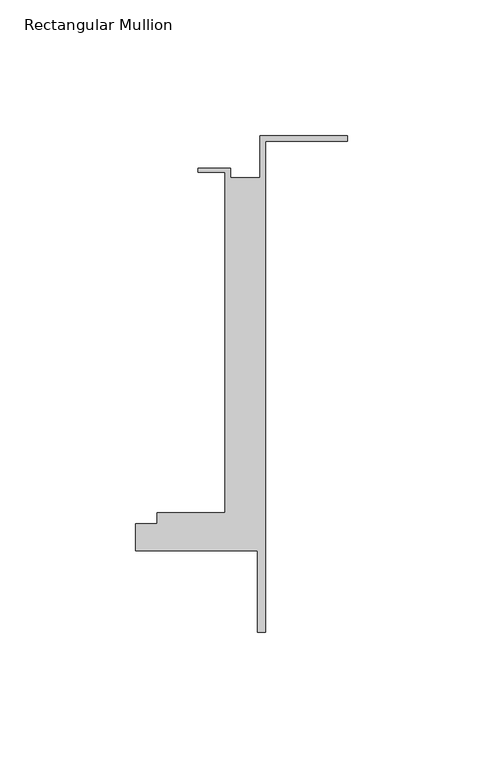
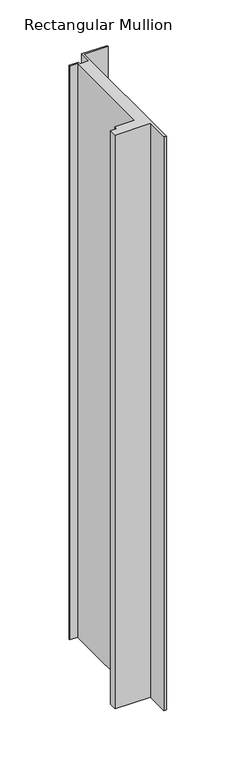
"""IFC4 building model written with IfcOpenShell, lengths in millimetres: member geometry, Rectangular Mullion."""

from ifc_helpers import new_model, si_unit, frame, origin, place, context, project, spatial, polyline, outline, extrude, source, transform, mapped, element, save


def rectangular_mullion_dfdaf982(model_context):
    return source(origin(), model_context, "Body", "SweptSolid", [
        extrude(outline(polyline([(-32.1465839, 41.25), (0.0, 41.25), (0.0, 39.25), (-30.1465839, 39.25), (-30.1465839, -141.75), (-33.1466122, -141.75), (-33.1466122, -111.75), (-78.1466122, -111.75), (-78.1466122, -101.75), (-70.1466122, -101.75), (-70.1466122, -97.75), (-45.1465839, -97.75), (-45.1465839, 27.75), (-55.1465839, 27.75), (-55.1465839, 29.25), (-43.1465839, 29.25), (-43.1465839, 25.75), (-32.1465839, 25.75), (-32.1465839, 41.25)])), frame((0.0, 0.0, -768.9856207), z_axis=(0.0, 0.0, 1.0), x_axis=(1.0, 0.0, 0.0)), (0.0, 0.0, 1.0), 768.9856207),
    ])


if __name__ == "__main__":
    model = new_model("IFC4")
    model_context = context("Model", 3, world=origin())
    ifc_project = project(units=[si_unit("LENGTHUNIT", "METRE", prefix="MILLI")], contexts=[model_context])
    site = spatial("IfcSite", under=ifc_project)
    building = spatial("IfcBuilding", under=site)
    placement = place(None, origin())
    rectangular_mullion_shape = rectangular_mullion_dfdaf982(model_context)
    element("IfcMember", 1, ObjectType="Rectangular Mullion", at=placement, inside=building, context=model_context, shape_type="MappedRepresentation", body=[
        mapped(rectangular_mullion_shape, transform((0.0, 0.0, 0.0), x_axis=(1.0, 0.0, 0.0), y_axis=(0.0, 1.0, 0.0), z_axis=(0.0, 0.0, 1.0))),
    ])
    save(model, "model.ifc")
